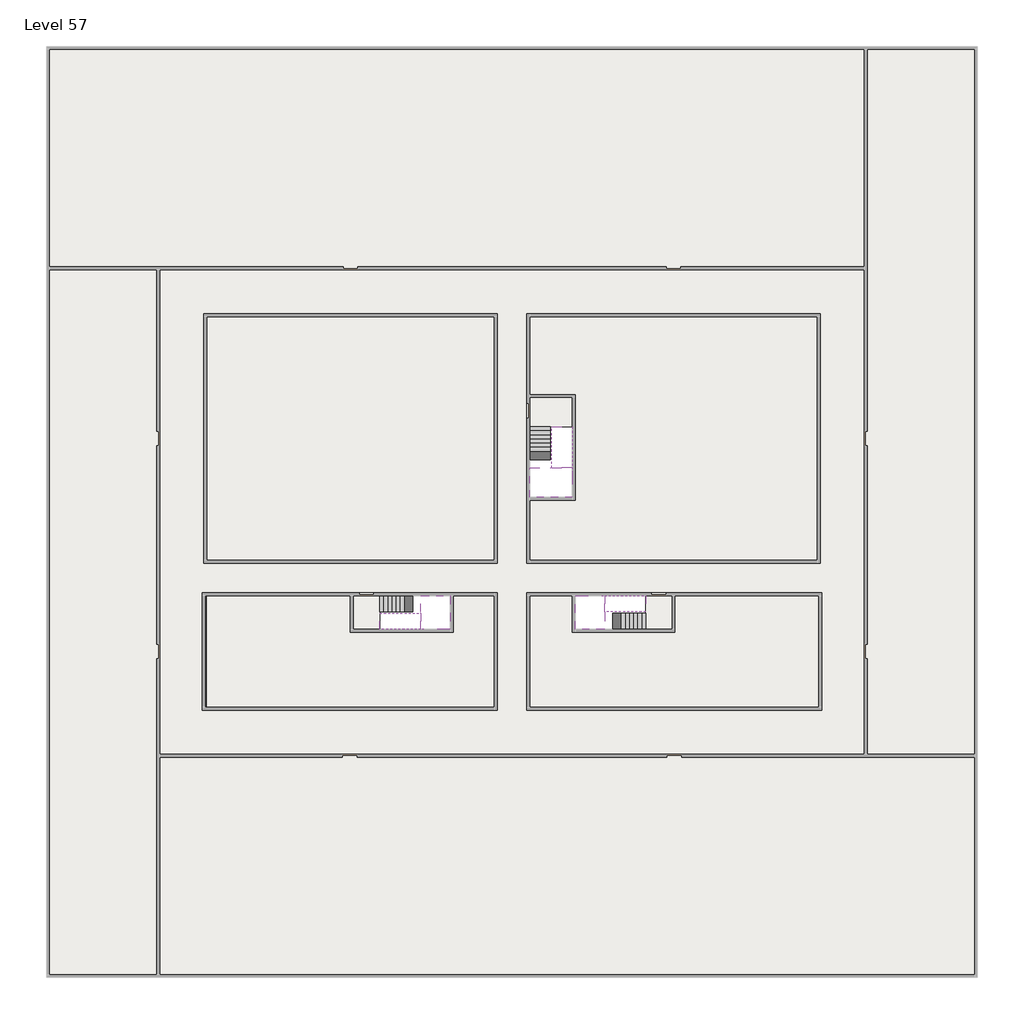
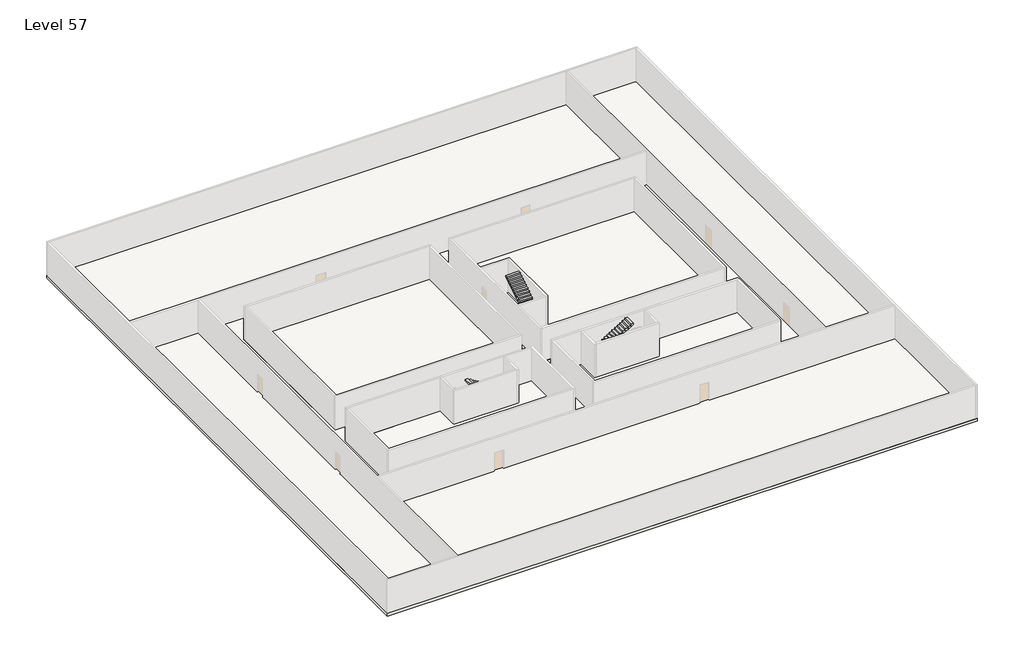
# One storey, part 2 of 2: 6 slabs, 6 stair flights.
"""IFC4 building model written with IfcOpenShell, lengths in millimetres."""

import ifcopenshell
import ifcopenshell.guid

model = None  # the IFC model being written
_history = None  # IfcOwnerHistory: only IFC2X3 demands one
_inside = {}  # id of a spatial element -> (the spatial element, [elements in it])
_under = {}  # id of a project, library or spatial element -> (it, [spatial elements below it])
_declared = {}  # id of a project -> (the project, [libraries it declares])
_typed = {}  # id of a type object -> (the type object, [elements of that type])
_made_of = {}  # id of a material, layer set ... -> (it, [elements and type objects made of it])


def new_model(schema):
    """Start an empty IFC model of exactly this schema.

    Asked for "IFC4X3", IfcOpenShell would pick the latest addendum, in which some entities
    have other attributes; the version numbers below select the first issue.
    IFC2X3 requires an IfcOwnerHistory on every rooted entity: one is made here for all.
    """
    global model, _history
    if schema == "IFC4X3":
        model = ifcopenshell.file(schema_version=(4, 3, 0, 0))
    else:
        model = ifcopenshell.file(schema=schema)
    _inside.clear()
    _under.clear()
    _declared.clear()
    _typed.clear()
    _made_of.clear()
    _history = None
    if model.schema == "IFC2X3":
        org = make("IfcOrganization", Name="unknown")
        user = make(
            "IfcPersonAndOrganization",
            ThePerson=make("IfcPerson", FamilyName="unknown"),
            TheOrganization=org,
        )
        app = make(
            "IfcApplication",
            ApplicationDeveloper=org,
            Version="unknown",
            ApplicationFullName="unknown",
            ApplicationIdentifier="unknown",
        )
        _history = make(
            "IfcOwnerHistory",
            OwningUser=user,
            OwningApplication=app,
            ChangeAction="ADDED",
            CreationDate=0,
        )
    return model


def make(cls, **values):
    """One entity of the class cls with the attributes given. An attribute that is None is left unset."""
    return model.create_entity(
        cls, **{name: value for name, value in values.items() if value is not None}
    )


def rooted(cls, **values):
    """An entity with a GlobalId (a new one), such as an element, a storey or a relation."""
    return make(cls, GlobalId=ifcopenshell.guid.new(), OwnerHistory=_history, **values)


def si_unit(unit_type, name, prefix=None):
    """IfcSIUnit, for example si_unit("LENGTHUNIT", "METRE", prefix="MILLI")."""
    return make("IfcSIUnit", UnitType=unit_type, Prefix=prefix, Name=name)


def assignment(units):
    """IfcUnitAssignment: the units of a project."""
    return None if units is None else make("IfcUnitAssignment", Units=units)


def point(xyz):
    """IfcCartesianPoint."""
    return None if xyz is None else make("IfcCartesianPoint", Coordinates=xyz)


def direction(xyz):
    """IfcDirection."""
    return None if xyz is None else make("IfcDirection", DirectionRatios=xyz)


def frame(location, z_axis=None, x_axis=None):
    """IfcAxis2Placement3D, a coordinate frame: its origin and axes. An axis left out is left unset."""
    return make(
        "IfcAxis2Placement3D",
        Location=point(location),
        Axis=direction(z_axis),
        RefDirection=direction(x_axis),
    )


def origin():
    """The frame at (0, 0, 0) with its axes left unset."""
    return frame((0.0, 0.0, 0.0))


def place(relative_to, where):
    """IfcLocalPlacement: puts the frame where relative to a parent placement (None: the world)."""
    return make(
        "IfcLocalPlacement", PlacementRelTo=relative_to, RelativePlacement=where
    )


def context(
    kind, dimensions, precision=None, world=None, true_north=None, identifier=None
):
    """IfcGeometricRepresentationContext, for example the 3D "Model" context."""
    return make(
        "IfcGeometricRepresentationContext",
        ContextIdentifier=identifier,
        ContextType=kind,
        CoordinateSpaceDimension=dimensions,
        Precision=precision,
        WorldCoordinateSystem=world,
        TrueNorth=true_north,
    )


def project(units=None, contexts=None):
    """IfcProject with its units and contexts."""
    return rooted(
        "IfcProject",
        Name="project",
        RepresentationContexts=contexts,
        UnitsInContext=assignment(units),
    )


def spatial(cls, under=None, at=None, **own):
    """A site, building, storey or space (cls), placed at a placement, below another one or the project."""
    s = rooted(cls, ObjectPlacement=at, **own)
    if under is not None:
        _under.setdefault(under.id(), (under, []))[1].append(s)
    return s


def polyline(points):
    """IfcPolyline through the points."""
    return make("IfcPolyline", Points=[point(p) for p in points])


def outline(outer, holes=None, kind="AREA"):
    """IfcArbitraryClosedProfileDef: a profile drawn as a closed curve; with holes, ...WithVoids."""
    if holes is None:
        return make("IfcArbitraryClosedProfileDef", ProfileType=kind, OuterCurve=outer)
    return make(
        "IfcArbitraryProfileDefWithVoids",
        ProfileType=kind,
        OuterCurve=outer,
        InnerCurves=holes,
    )


def extrude(swept, where, along, depth):
    """IfcExtrudedAreaSolid: the profile swept, set in the frame where, extruded along a direction by depth."""
    return make(
        "IfcExtrudedAreaSolid",
        SweptArea=swept,
        Position=where,
        ExtrudedDirection=direction(along),
        Depth=depth,
    )


def faces_of(points, faces, orient=None, outer=None):
    """IfcFace entities. A face is a list of loops; a loop is a list of indices into points, from 0.

    orient and outer hold one flag for each loop. By default every Orientation is true, the
    first loop of a face is its IfcFaceOuterBound and the others are IfcFaceBound.
    """
    made = []
    for i, loops in enumerate(faces):
        bounds = []
        for j, loop in enumerate(loops):
            is_outer = j == 0 if outer is None else outer[i][j]
            bounds.append(
                make(
                    "IfcFaceOuterBound" if is_outer else "IfcFaceBound",
                    Bound=make("IfcPolyLoop", Polygon=[points[k] for k in loop]),
                    Orientation=True if orient is None else orient[i][j],
                )
            )
        made.append(make("IfcFace", Bounds=bounds))
    return made


def faceted_brep(points, faces, orient=None, outer=None, voids=None):
    """IfcFacetedBrep: a solid bounded by flat faces; with voids (closed shells), ...WithVoids."""
    shared = [point(p) for p in points]
    hull = make("IfcClosedShell", CfsFaces=faces_of(shared, faces, orient, outer))
    if voids is None:
        return make("IfcFacetedBrep", Outer=hull)
    return make(
        "IfcFacetedBrepWithVoids",
        Outer=hull,
        Voids=[
            make(cls, CfsFaces=faces_of(shared, fs, o, b)) for cls, fs, o, b in voids
        ],
    )


def shape(context_of_items, identifier, shape_type, items):
    """IfcShapeRepresentation: the items that make up one representation, for example the "Body"."""
    return make(
        "IfcShapeRepresentation",
        ContextOfItems=context_of_items,
        RepresentationIdentifier=identifier,
        RepresentationType=shape_type,
        Items=items,
    )


def made_of(thing, what):
    """Note that an element or type object is made of a material, layer set ...; save() writes the relation."""
    if what is not None:
        _made_of.setdefault(what.id(), (what, []))[1].append(thing)
    return thing


def element(
    cls,
    number,
    at=None,
    inside=None,
    cuts=None,
    type_object=None,
    material=None,
    context=None,
    identifier="Body",
    shape_type=None,
    held_by="IfcProductDefinitionShape",
    body=None,
    shapes=None,
    **own,
):
    """One element of the class cls, such as IfcWall. Its Tag is "e" and its number.

    at: its placement. inside: the storey or other place that contains it. cuts: it is an
    opening in that element (IfcRelVoidsElement). A single representation is given by context,
    identifier, shape_type and body (its items); several are given by shapes. held_by: the class
    of the entity that holds the representations. save() writes the other relations.
    """
    e = rooted(cls, Tag="e%d" % number, ObjectPlacement=at, **own)
    if body is not None:
        shapes = [shape(context, identifier, shape_type, body)]
    if shapes is not None:
        e.Representation = make(held_by, Representations=shapes)
    if inside is not None:
        _inside.setdefault(inside.id(), (inside, []))[1].append(e)
    if cuts is not None:
        rooted(
            "IfcRelVoidsElement", RelatingBuildingElement=cuts, RelatedOpeningElement=e
        )
    if type_object is not None:
        _typed.setdefault(type_object.id(), (type_object, []))[1].append(e)
    return made_of(e, material)


def aggregate(whole, parts):
    """IfcRelAggregates: a whole, such as a stair, and the parts it consists of."""
    return rooted("IfcRelAggregates", RelatingObject=whole, RelatedObjects=parts)


def save(model, path):
    """Write the relations noted so far, then the file.

    IfcRelAggregates (storeys below a building ...), IfcRelContainedInSpatialStructure (elements
    in a storey), IfcRelDefinesByType, IfcRelAssociatesMaterial and IfcRelDeclares: one each for
    every whole, place, type object, material and project.
    """
    for whole, parts in _under.values():
        aggregate(whole, parts)
    for where, things in _inside.values():
        rooted(
            "IfcRelContainedInSpatialStructure",
            RelatedElements=things,
            RelatingStructure=where,
        )
    for kind, things in _typed.values():
        rooted("IfcRelDefinesByType", RelatedObjects=things, RelatingType=kind)
    for what, things in _made_of.values():
        rooted("IfcRelAssociatesMaterial", RelatedObjects=things, RelatingMaterial=what)
    for by, libraries in _declared.values():
        rooted("IfcRelDeclares", RelatingContext=by, RelatedDefinitions=libraries)
    model.write(path)


model = new_model("IFC4")

# Units and contexts
model_context = context("Model", 3, world=origin())
ifc_project = project(units=[si_unit("LENGTHUNIT", "METRE", prefix="MILLI")], contexts=[model_context])

# Site, building, storey
site = spatial("IfcSite", under=ifc_project)
building = spatial("IfcBuilding", under=site)
storey = spatial("IfcBuildingStorey", under=building, Name="Level 57", Elevation=212800.0)

# Slabs
placement = place(None, origin())
element("IfcSlab", 1, at=placement, inside=storey, context=model_context, shape_type="SweptSolid", body=[
    extrude(outline(polyline([(55890.1058784, -5518.09644), (55890.1058784, -68918.09644), (-7509.8941216, -68918.09644), (-7509.8941216, -5518.09644), (55890.1058784, -5518.09644)]), holes=[polyline([(23190.1058784, -23718.09644), (3190.1058784, -23718.09644), (3190.1058784, -40718.09644), (23190.1058784, -40718.09644), (23190.1058784, -23718.09644)]), polyline([(45190.1058784, -23718.09644), (25190.1058784, -23718.09644), (25190.1058784, -40718.09644), (45190.1058784, -40718.09644), (45190.1058784, -23718.09644)]), polyline([(23190.1058784, -50718.09644), (23190.1058784, -42718.09644), (3390.1058784, -42718.09644), (3390.1058784, -50718.09644), (23190.1058784, -50718.09644)]), polyline([(25190.1058784, -50718.09644), (45190.1058784, -50718.09644), (45190.1058784, -42718.09644), (25190.1058784, -42718.09644), (25190.1058784, -50718.09644)])]), frame((0.0, 0.0, 212500.0), z_axis=(0.0, 0.0, 1.0), x_axis=(1.0, 0.0, 0.0)), (0.0, 0.0, 1.0), 300.0),
])
element("IfcSlab", 2, at=placement, inside=storey, context=model_context, shape_type="Brep", body=[
    faceted_brep([(26790.1058784, -34218.09644, 214700.0), (25390.1058784, -34218.09644, 214700.0), (25390.1058784, -34297.4828763, 214700.0), (25390.1058784, -36218.09644, 214700.0), (28290.1058784, -36218.09644, 214700.0), (28290.1058784, -34418.7100038, 214700.0), (28290.1058784, -34218.09644, 214700.0), (26890.1058784, -34218.09644, 214700.0), (26790.1058784, -34218.09644, 214400.0), (26790.1058784, -34218.09644, 214351.0278478), (25390.1058784, -34218.09644, 214351.0278478), (25390.1058784, -34218.09644, 214527.2727273), (25390.1058784, -34297.4828763, 214400.0), (25390.1058784, -36218.09644, 214400.0), (28290.1058784, -36218.09644, 214400.0), (28290.1058784, -34418.7100038, 214400.0), (28290.1058784, -34218.09644, 214523.7551205), (26890.1058784, -34218.09644, 214523.7551205), (26890.1058784, -34218.09644, 214400.0), (26890.1058784, -34418.7100038, 214400.0), (26790.1058784, -34297.4828763, 214400.0)], [[[0, 1, 2, 3, 4, 5, 6, 7]], [[1, 0, 8, 9, 10, 11]], [[1, 11, 10, 12, 13, 3, 2]], [[4, 3, 13, 14]], [[4, 14, 15, 16, 6, 5]], [[7, 6, 16, 17]], [[0, 7, 17, 18, 8]], [[18, 19, 15, 14, 13, 12, 20, 8]], [[19, 18, 17]], [[20, 12, 10, 9]], [[8, 20, 9]], [[15, 19, 17, 16]]]),
])
element("IfcSlab", 3, at=placement, inside=storey, context=model_context, shape_type="SweptSolid", body=[
    extrude(outline(polyline([(22990.1058784, -23918.09644), (22990.1058784, -40518.09644), (3390.1058784, -40518.09644), (3390.1058784, -23918.09644), (22990.1058784, -23918.09644)])), frame((0.0, 0.0, 212500.0), z_axis=(0.0, 0.0, 1.0), x_axis=(1.0, 0.0, 0.0)), (0.0, 0.0, 1.0), 300.0),
    extrude(outline(polyline([(44990.1058784, -23918.09644), (44990.1058784, -40518.09644), (25390.1058784, -40518.09644), (25390.1058784, -36418.09644), (28490.1058784, -36418.09644), (28490.1058784, -29218.09644), (25390.1058784, -29218.09644), (25390.1058784, -23918.09644), (44990.1058784, -23918.09644)])), frame((0.0, 0.0, 212500.0), z_axis=(0.0, 0.0, 1.0), x_axis=(1.0, 0.0, 0.0)), (0.0, 0.0, 1.0), 300.0),
    extrude(outline(polyline([(22990.1058784, -42918.09644), (22990.1058784, -50518.09644), (3390.1058784, -50518.09644), (3390.1058784, -42918.09644), (13190.1058784, -42918.09644), (13190.1058784, -45418.09644), (20190.1058784, -45418.09644), (20190.1058784, -42918.09644), (22990.1058784, -42918.09644)])), frame((0.0, 0.0, 212500.0), z_axis=(0.0, 0.0, 1.0), x_axis=(1.0, 0.0, 0.0)), (0.0, 0.0, 1.0), 300.0),
    extrude(outline(polyline([(28290.1058784, -42918.09644), (28290.1058784, -45418.09644), (35290.1058784, -45418.09644), (35290.1058784, -42918.09644), (45090.1058784, -42918.09644), (45090.1058784, -50518.09644), (25390.1058784, -50518.09644), (25390.1058784, -42918.09644), (28290.1058784, -42918.09644)])), frame((0.0, 0.0, 212500.0), z_axis=(0.0, 0.0, 1.0), x_axis=(1.0, 0.0, 0.0)), (0.0, 0.0, 1.0), 300.0),
])
element("IfcSlab", 4, at=placement, inside=storey, context=model_context, shape_type="Brep", body=[
    faceted_brep([(30490.1058784, -45218.09644, 214700.0), (30490.1058784, -44118.09644, 214700.0), (30490.1058784, -44018.09644, 214700.0), (30490.1058784, -42918.09644, 214700.0), (30289.4923146, -42918.09644, 214700.0), (28490.1058784, -42918.09644, 214700.0), (28490.1058784, -45218.09644, 214700.0), (30410.7194421, -45218.09644, 214700.0), (30490.1058784, -45218.09644, 214527.2727273), (30490.1058784, -45218.09644, 214351.0278478), (30490.1058784, -44118.09644, 214351.0278478), (30490.1058784, -44118.09644, 214400.0), (30490.1058784, -44018.09644, 214400.0), (30490.1058784, -44018.09644, 214523.7551205), (30490.1058784, -42918.09644, 214523.7551205), (30289.4923146, -42918.09644, 214400.0), (28490.1058784, -42918.09644, 214400.0), (28490.1058784, -45218.09644, 214400.0), (30410.7194421, -45218.09644, 214400.0), (30289.4923146, -44018.09644, 214400.0), (30410.7194421, -44118.09644, 214400.0)], [[[0, 1, 2, 3, 4, 5, 6, 7]], [[1, 0, 8, 9, 10, 11]], [[2, 1, 11, 12, 13]], [[3, 2, 13, 14]], [[3, 14, 15, 16, 5, 4]], [[6, 5, 16, 17]], [[9, 8, 0, 7, 6, 17, 18]], [[19, 12, 11, 20, 18, 17, 16, 15]], [[12, 19, 13]], [[18, 20, 10, 9]], [[20, 11, 10]], [[19, 15, 14, 13]]]),
])
element("IfcSlab", 5, at=placement, inside=storey, context=model_context, shape_type="Brep", body=[
    faceted_brep([(17990.1058784, -42918.09644, 214700.0), (17990.1058784, -44018.09644, 214700.0), (17990.1058784, -44118.09644, 214700.0), (17990.1058784, -45218.09644, 214700.0), (18190.7194421, -45218.09644, 214700.0), (19990.1058784, -45218.09644, 214700.0), (19990.1058784, -42918.09644, 214700.0), (18069.4923146, -42918.09644, 214700.0), (17990.1058784, -42918.09644, 214527.2727273), (17990.1058784, -42918.09644, 214351.0278478), (17990.1058784, -44018.09644, 214351.0278478), (17990.1058784, -44018.09644, 214400.0), (17990.1058784, -44118.09644, 214400.0), (17990.1058784, -44118.09644, 214523.7551205), (17990.1058784, -45218.09644, 214523.7551205), (18190.7194421, -45218.09644, 214400.0), (19990.1058784, -45218.09644, 214400.0), (19990.1058784, -42918.09644, 214400.0), (18069.4923146, -42918.09644, 214400.0), (18190.7194421, -44118.09644, 214400.0), (18069.4923146, -44018.09644, 214400.0)], [[[0, 1, 2, 3, 4, 5, 6, 7]], [[1, 0, 8, 9, 10, 11]], [[2, 1, 11, 12, 13]], [[3, 2, 13, 14]], [[3, 14, 15, 16, 5, 4]], [[6, 5, 16, 17]], [[9, 8, 0, 7, 6, 17, 18]], [[19, 12, 11, 20, 18, 17, 16, 15]], [[12, 19, 13]], [[18, 20, 10, 9]], [[20, 11, 10]], [[19, 15, 14, 13]]]),
])
element("IfcSlab", 6, at=placement, inside=storey, context=model_context, shape_type="SweptSolid", body=[
    extrude(outline(polyline([(25190.1058784, -29418.09644), (28290.1058784, -29418.09644), (28290.1058784, -31418.09644), (25190.1058784, -31418.09644), (25190.1058784, -29418.09644)])), frame((0.0, 0.0, 212500.0), z_axis=(0.0, 0.0, 1.0), x_axis=(1.0, 0.0, 0.0)), (0.0, 0.0, 1.0), 300.0),
    extrude(outline(polyline([(15190.1058784, -45218.09644), (13390.1058784, -45218.09644), (13390.1058784, -42718.09644), (15190.1058784, -42718.09644), (15190.1058784, -45218.09644)])), frame((0.0, 0.0, 212500.0), z_axis=(0.0, 0.0, 1.0), x_axis=(1.0, 0.0, 0.0)), (0.0, 0.0, 1.0), 300.0),
    extrude(outline(polyline([(35090.1058784, -45218.09644), (33290.1058784, -45218.09644), (33290.1058784, -42718.09644), (35090.1058784, -42718.09644), (35090.1058784, -45218.09644)])), frame((0.0, 0.0, 212500.0), z_axis=(0.0, 0.0, 1.0), x_axis=(1.0, 0.0, 0.0)), (0.0, 0.0, 1.0), 300.0),
])

# Stair flights
element("IfcStairFlight", 7, at=placement, inside=storey, context=model_context, shape_type="Brep", body=[
    faceted_brep([(26790.1058784, -31698.09644, 212972.7272727), (26790.1058784, -31418.09644, 212972.7272727), (25390.1058784, -31418.09644, 212972.7272727), (25390.1058784, -31698.09644, 212972.7272727), (26790.1058784, -31698.09644, 212800.0), (26790.1058784, -31418.09644, 212800.0), (25390.1058784, -31418.09644, 212800.0), (25390.1058784, -31698.09644, 212800.0), (26790.1058784, -31978.09644, 213145.4545455), (26790.1058784, -31698.09644, 213145.4545455), (25390.1058784, -31698.09644, 213145.4545455), (25390.1058784, -31978.09644, 213145.4545455), (26790.1058784, -31978.09644, 212969.209666), (26790.1058784, -31703.7986657, 212800.0), (25390.1058784, -31703.7986657, 212800.0), (25390.1058784, -31978.09644, 212969.209666), (26790.1058784, -32258.09644, 213318.1818182), (26790.1058784, -31978.09644, 213318.1818182), (25390.1058784, -31978.09644, 213318.1818182), (25390.1058784, -32258.09644, 213318.1818182), (26790.1058784, -32258.09644, 213141.9369387), (25390.1058784, -32258.09644, 213141.9369387), (26790.1058784, -32538.09644, 213490.9090909), (26790.1058784, -32258.09644, 213490.9090909), (25390.1058784, -32258.09644, 213490.9090909), (25390.1058784, -32538.09644, 213490.9090909), (26790.1058784, -32538.09644, 213314.6642114), (25390.1058784, -32538.09644, 213314.6642114), (26790.1058784, -32818.09644, 213663.6363636), (26790.1058784, -32538.09644, 213663.6363636), (25390.1058784, -32538.09644, 213663.6363636), (25390.1058784, -32818.09644, 213663.6363636), (26790.1058784, -32818.09644, 213487.3914841), (25390.1058784, -32818.09644, 213487.3914841), (26790.1058784, -33098.09644, 213836.3636364), (26790.1058784, -32818.09644, 213836.3636364), (25390.1058784, -32818.09644, 213836.3636364), (25390.1058784, -33098.09644, 213836.3636364), (26790.1058784, -33098.09644, 213660.1187569), (25390.1058784, -33098.09644, 213660.1187569), (26790.1058784, -33378.09644, 214009.0909091), (26790.1058784, -33098.09644, 214009.0909091), (25390.1058784, -33098.09644, 214009.0909091), (25390.1058784, -33378.09644, 214009.0909091), (26790.1058784, -33378.09644, 213832.8460296), (25390.1058784, -33378.09644, 213832.8460296), (26790.1058784, -33658.09644, 214181.8181818), (26790.1058784, -33378.09644, 214181.8181818), (25390.1058784, -33378.09644, 214181.8181818), (25390.1058784, -33658.09644, 214181.8181818), (26790.1058784, -33658.09644, 214005.5733023), (25390.1058784, -33658.09644, 214005.5733023), (26790.1058784, -33938.09644, 214354.5454545), (26790.1058784, -33658.09644, 214354.5454545), (25390.1058784, -33658.09644, 214354.5454545), (25390.1058784, -33938.09644, 214354.5454545), (26790.1058784, -33938.09644, 214178.3005751), (25390.1058784, -33938.09644, 214178.3005751), (26790.1058784, -34218.09644, 214527.2727273), (26790.1058784, -33938.09644, 214527.2727273), (25390.1058784, -33938.09644, 214527.2727273), (25390.1058784, -34218.09644, 214527.2727273), (26790.1058784, -34218.09644, 214400.0), (26790.1058784, -34218.09644, 214351.0278478), (25390.1058784, -34218.09644, 214351.0278478)], [[[0, 1, 2, 3]], [[1, 0, 4, 5]], [[2, 1, 5, 6]], [[3, 2, 6, 7]], [[8, 9, 10, 11]], [[4, 0, 9, 8, 12, 13]], [[0, 3, 10, 9]], [[3, 7, 14, 15, 11, 10]], [[16, 17, 18, 19]], [[17, 16, 20, 12, 8]], [[8, 11, 18, 17]], [[19, 18, 11, 15, 21]], [[22, 23, 24, 25]], [[23, 22, 26, 20, 16]], [[16, 19, 24, 23]], [[25, 24, 19, 21, 27]], [[28, 29, 30, 31]], [[29, 28, 32, 26, 22]], [[22, 25, 30, 29]], [[31, 30, 25, 27, 33]], [[34, 35, 36, 37]], [[35, 34, 38, 32, 28]], [[28, 31, 36, 35]], [[37, 36, 31, 33, 39]], [[40, 41, 42, 43]], [[41, 40, 44, 38, 34]], [[34, 37, 42, 41]], [[43, 42, 37, 39, 45]], [[46, 47, 48, 49]], [[47, 46, 50, 44, 40]], [[40, 43, 48, 47]], [[49, 48, 43, 45, 51]], [[52, 53, 54, 55]], [[53, 52, 56, 50, 46]], [[46, 49, 54, 53]], [[55, 54, 49, 51, 57]], [[58, 59, 60, 61]], [[59, 58, 62, 63, 56, 52]], [[52, 55, 60, 59]], [[61, 60, 55, 57, 64]], [[58, 61, 64, 63, 62]], [[5, 4, 13, 14, 7, 6]], [[14, 13, 12, 20, 26, 32, 38, 44, 50, 56, 63, 64, 57, 51, 45, 39, 33, 27, 21, 15]]]),
])
element("IfcStairFlight", 8, at=placement, inside=storey, context=model_context, shape_type="Brep", body=[
    faceted_brep([(26890.1058784, -33938.09644, 214872.7272727), (26890.1058784, -34218.09644, 214872.7272727), (28290.1058784, -34218.09644, 214872.7272727), (28290.1058784, -33938.09644, 214872.7272727), (26890.1058784, -33938.09644, 214696.4823932), (26890.1058784, -34218.09644, 214523.7551205), (28290.1058784, -34218.09644, 214523.7551205), (28290.1058784, -34218.09644, 214700.0), (28290.1058784, -33938.09644, 214696.4823932), (26890.1058784, -33658.09644, 215045.4545455), (26890.1058784, -33938.09644, 215045.4545455), (28290.1058784, -33938.09644, 215045.4545455), (28290.1058784, -33658.09644, 215045.4545455), (26890.1058784, -33658.09644, 214869.209666), (28290.1058784, -33658.09644, 214869.209666), (26890.1058784, -33378.09644, 215218.1818182), (26890.1058784, -33658.09644, 215218.1818182), (28290.1058784, -33658.09644, 215218.1818182), (28290.1058784, -33378.09644, 215218.1818182), (26890.1058784, -33378.09644, 215041.9369387), (28290.1058784, -33378.09644, 215041.9369387), (26890.1058784, -33098.09644, 215390.9090909), (26890.1058784, -33378.09644, 215390.9090909), (28290.1058784, -33378.09644, 215390.9090909), (28290.1058784, -33098.09644, 215390.9090909), (26890.1058784, -33098.09644, 215214.6642114), (28290.1058784, -33098.09644, 215214.6642114), (26890.1058784, -32818.09644, 215563.6363636), (26890.1058784, -33098.09644, 215563.6363636), (28290.1058784, -33098.09644, 215563.6363636), (28290.1058784, -32818.09644, 215563.6363636), (26890.1058784, -32818.09644, 215387.3914841), (28290.1058784, -32818.09644, 215387.3914841), (26890.1058784, -32538.09644, 215736.3636364), (26890.1058784, -32818.09644, 215736.3636364), (28290.1058784, -32818.09644, 215736.3636364), (28290.1058784, -32538.09644, 215736.3636364), (26890.1058784, -32538.09644, 215560.1187569), (28290.1058784, -32538.09644, 215560.1187569), (26890.1058784, -32258.09644, 215909.0909091), (26890.1058784, -32538.09644, 215909.0909091), (28290.1058784, -32538.09644, 215909.0909091), (28290.1058784, -32258.09644, 215909.0909091), (26890.1058784, -32258.09644, 215732.8460296), (28290.1058784, -32258.09644, 215732.8460296), (26890.1058784, -31978.09644, 216081.8181818), (26890.1058784, -32258.09644, 216081.8181818), (28290.1058784, -32258.09644, 216081.8181818), (28290.1058784, -31978.09644, 216081.8181818), (26890.1058784, -31978.09644, 215905.5733023), (28290.1058784, -31978.09644, 215905.5733023), (26890.1058784, -31698.09644, 216254.5454545), (26890.1058784, -31978.09644, 216254.5454545), (28290.1058784, -31978.09644, 216254.5454545), (28290.1058784, -31698.09644, 216254.5454545), (26890.1058784, -31698.09644, 216078.3005751), (28290.1058784, -31698.09644, 216078.3005751), (26890.1058784, -31418.09644, 216427.2727273), (26890.1058784, -31698.09644, 216427.2727273), (28290.1058784, -31698.09644, 216427.2727273), (28290.1058784, -31418.09644, 216427.2727273), (26890.1058784, -31418.09644, 216251.0278478), (28290.1058784, -31418.09644, 216251.0278478)], [[[0, 1, 2, 3]], [[1, 0, 4, 5]], [[2, 1, 5, 6, 7]], [[3, 2, 7, 6, 8]], [[9, 10, 11, 12]], [[10, 9, 13, 4, 0]], [[11, 10, 0, 3]], [[12, 11, 3, 8, 14]], [[15, 16, 17, 18]], [[16, 15, 19, 13, 9]], [[17, 16, 9, 12]], [[18, 17, 12, 14, 20]], [[21, 22, 23, 24]], [[22, 21, 25, 19, 15]], [[23, 22, 15, 18]], [[24, 23, 18, 20, 26]], [[27, 28, 29, 30]], [[28, 27, 31, 25, 21]], [[29, 28, 21, 24]], [[30, 29, 24, 26, 32]], [[33, 34, 35, 36]], [[34, 33, 37, 31, 27]], [[35, 34, 27, 30]], [[36, 35, 30, 32, 38]], [[39, 40, 41, 42]], [[40, 39, 43, 37, 33]], [[41, 40, 33, 36]], [[42, 41, 36, 38, 44]], [[45, 46, 47, 48]], [[46, 45, 49, 43, 39]], [[47, 46, 39, 42]], [[48, 47, 42, 44, 50]], [[51, 52, 53, 54]], [[52, 51, 55, 49, 45]], [[53, 52, 45, 48]], [[54, 53, 48, 50, 56]], [[57, 58, 59, 60]], [[58, 57, 61, 55, 51]], [[59, 58, 51, 54]], [[60, 59, 54, 56, 62]], [[57, 60, 62, 61]], [[5, 4, 13, 19, 25, 31, 37, 43, 49, 55, 61, 62, 56, 50, 44, 38, 32, 26, 20, 14, 8, 6]]]),
])
element("IfcStairFlight", 9, at=placement, inside=storey, context=model_context, shape_type="Brep", body=[
    faceted_brep([(33010.1058784, -45218.09644, 212972.7272727), (33290.1058784, -45218.09644, 212972.7272727), (33290.1058784, -44118.09644, 212972.7272727), (33010.1058784, -44118.09644, 212972.7272727), (33010.1058784, -45218.09644, 212800.0), (33290.1058784, -45218.09644, 212800.0), (33290.1058784, -44118.09644, 212800.0), (33010.1058784, -44118.09644, 212800.0), (32730.1058784, -45218.09644, 213145.4545455), (33010.1058784, -45218.09644, 213145.4545455), (33010.1058784, -44118.09644, 213145.4545455), (32730.1058784, -44118.09644, 213145.4545455), (32730.1058784, -45218.09644, 212969.209666), (33004.4036527, -45218.09644, 212800.0), (33004.4036527, -44118.09644, 212800.0), (32730.1058784, -44118.09644, 212969.209666), (32450.1058784, -45218.09644, 213318.1818182), (32730.1058784, -45218.09644, 213318.1818182), (32730.1058784, -44118.09644, 213318.1818182), (32450.1058784, -44118.09644, 213318.1818182), (32450.1058784, -45218.09644, 213141.9369387), (32450.1058784, -44118.09644, 213141.9369387), (32170.1058784, -45218.09644, 213490.9090909), (32450.1058784, -45218.09644, 213490.9090909), (32450.1058784, -44118.09644, 213490.9090909), (32170.1058784, -44118.09644, 213490.9090909), (32170.1058784, -45218.09644, 213314.6642114), (32170.1058784, -44118.09644, 213314.6642114), (31890.1058784, -45218.09644, 213663.6363636), (32170.1058784, -45218.09644, 213663.6363636), (32170.1058784, -44118.09644, 213663.6363636), (31890.1058784, -44118.09644, 213663.6363636), (31890.1058784, -45218.09644, 213487.3914841), (31890.1058784, -44118.09644, 213487.3914841), (31610.1058784, -45218.09644, 213836.3636364), (31890.1058784, -45218.09644, 213836.3636364), (31890.1058784, -44118.09644, 213836.3636364), (31610.1058784, -44118.09644, 213836.3636364), (31610.1058784, -45218.09644, 213660.1187569), (31610.1058784, -44118.09644, 213660.1187569), (31330.1058784, -45218.09644, 214009.0909091), (31610.1058784, -45218.09644, 214009.0909091), (31610.1058784, -44118.09644, 214009.0909091), (31330.1058784, -44118.09644, 214009.0909091), (31330.1058784, -45218.09644, 213832.8460296), (31330.1058784, -44118.09644, 213832.8460296), (31050.1058784, -45218.09644, 214181.8181818), (31330.1058784, -45218.09644, 214181.8181818), (31330.1058784, -44118.09644, 214181.8181818), (31050.1058784, -44118.09644, 214181.8181818), (31050.1058784, -45218.09644, 214005.5733023), (31050.1058784, -44118.09644, 214005.5733023), (30770.1058784, -45218.09644, 214354.5454545), (31050.1058784, -45218.09644, 214354.5454545), (31050.1058784, -44118.09644, 214354.5454545), (30770.1058784, -44118.09644, 214354.5454545), (30770.1058784, -45218.09644, 214178.3005751), (30770.1058784, -44118.09644, 214178.3005751), (30490.1058784, -45218.09644, 214527.2727273), (30770.1058784, -45218.09644, 214527.2727273), (30770.1058784, -44118.09644, 214527.2727273), (30490.1058784, -44118.09644, 214527.2727273), (30490.1058784, -45218.09644, 214351.0278478), (30490.1058784, -44118.09644, 214351.0278478), (30490.1058784, -44118.09644, 214400.0)], [[[0, 1, 2, 3]], [[1, 0, 4, 5]], [[2, 1, 5, 6]], [[3, 2, 6, 7]], [[8, 9, 10, 11]], [[4, 0, 9, 8, 12, 13]], [[0, 3, 10, 9]], [[3, 7, 14, 15, 11, 10]], [[16, 17, 18, 19]], [[17, 16, 20, 12, 8]], [[8, 11, 18, 17]], [[19, 18, 11, 15, 21]], [[22, 23, 24, 25]], [[23, 22, 26, 20, 16]], [[16, 19, 24, 23]], [[25, 24, 19, 21, 27]], [[28, 29, 30, 31]], [[29, 28, 32, 26, 22]], [[22, 25, 30, 29]], [[31, 30, 25, 27, 33]], [[34, 35, 36, 37]], [[35, 34, 38, 32, 28]], [[28, 31, 36, 35]], [[37, 36, 31, 33, 39]], [[40, 41, 42, 43]], [[41, 40, 44, 38, 34]], [[34, 37, 42, 41]], [[43, 42, 37, 39, 45]], [[46, 47, 48, 49]], [[47, 46, 50, 44, 40]], [[40, 43, 48, 47]], [[49, 48, 43, 45, 51]], [[52, 53, 54, 55]], [[53, 52, 56, 50, 46]], [[46, 49, 54, 53]], [[55, 54, 49, 51, 57]], [[58, 59, 60, 61]], [[59, 58, 62, 56, 52]], [[52, 55, 60, 59]], [[61, 60, 55, 57, 63, 64]], [[58, 61, 64, 63, 62]], [[5, 4, 13, 14, 7, 6]], [[14, 13, 12, 20, 26, 32, 38, 44, 50, 56, 62, 63, 57, 51, 45, 39, 33, 27, 21, 15]]]),
])
element("IfcStairFlight", 10, at=placement, inside=storey, context=model_context, shape_type="Brep", body=[
    faceted_brep([(30770.1058784, -42918.09644, 214872.7272727), (30490.1058784, -42918.09644, 214872.7272727), (30490.1058784, -44018.09644, 214872.7272727), (30770.1058784, -44018.09644, 214872.7272727), (30770.1058784, -42918.09644, 214696.4823932), (30490.1058784, -42918.09644, 214523.7551205), (30490.1058784, -42918.09644, 214700.0), (30490.1058784, -44018.09644, 214523.7551205), (30770.1058784, -44018.09644, 214696.4823932), (31050.1058784, -42918.09644, 215045.4545455), (30770.1058784, -42918.09644, 215045.4545455), (30770.1058784, -44018.09644, 215045.4545455), (31050.1058784, -44018.09644, 215045.4545455), (31050.1058784, -42918.09644, 214869.209666), (31050.1058784, -44018.09644, 214869.209666), (31330.1058784, -42918.09644, 215218.1818182), (31050.1058784, -42918.09644, 215218.1818182), (31050.1058784, -44018.09644, 215218.1818182), (31330.1058784, -44018.09644, 215218.1818182), (31330.1058784, -42918.09644, 215041.9369387), (31330.1058784, -44018.09644, 215041.9369387), (31610.1058784, -42918.09644, 215390.9090909), (31330.1058784, -42918.09644, 215390.9090909), (31330.1058784, -44018.09644, 215390.9090909), (31610.1058784, -44018.09644, 215390.9090909), (31610.1058784, -42918.09644, 215214.6642114), (31610.1058784, -44018.09644, 215214.6642114), (31890.1058784, -42918.09644, 215563.6363636), (31610.1058784, -42918.09644, 215563.6363636), (31610.1058784, -44018.09644, 215563.6363636), (31890.1058784, -44018.09644, 215563.6363636), (31890.1058784, -42918.09644, 215387.3914841), (31890.1058784, -44018.09644, 215387.3914841), (32170.1058784, -42918.09644, 215736.3636364), (31890.1058784, -42918.09644, 215736.3636364), (31890.1058784, -44018.09644, 215736.3636364), (32170.1058784, -44018.09644, 215736.3636364), (32170.1058784, -42918.09644, 215560.1187569), (32170.1058784, -44018.09644, 215560.1187569), (32450.1058784, -42918.09644, 215909.0909091), (32170.1058784, -42918.09644, 215909.0909091), (32170.1058784, -44018.09644, 215909.0909091), (32450.1058784, -44018.09644, 215909.0909091), (32450.1058784, -42918.09644, 215732.8460296), (32450.1058784, -44018.09644, 215732.8460296), (32730.1058784, -42918.09644, 216081.8181818), (32450.1058784, -42918.09644, 216081.8181818), (32450.1058784, -44018.09644, 216081.8181818), (32730.1058784, -44018.09644, 216081.8181818), (32730.1058784, -42918.09644, 215905.5733023), (32730.1058784, -44018.09644, 215905.5733023), (33010.1058784, -42918.09644, 216254.5454545), (32730.1058784, -42918.09644, 216254.5454545), (32730.1058784, -44018.09644, 216254.5454545), (33010.1058784, -44018.09644, 216254.5454545), (33010.1058784, -42918.09644, 216078.3005751), (33010.1058784, -44018.09644, 216078.3005751), (33290.1058784, -42918.09644, 216427.2727273), (33010.1058784, -42918.09644, 216427.2727273), (33010.1058784, -44018.09644, 216427.2727273), (33290.1058784, -44018.09644, 216427.2727273), (33290.1058784, -42918.09644, 216251.0278478), (33290.1058784, -44018.09644, 216251.0278478)], [[[0, 1, 2, 3]], [[1, 0, 4, 5, 6]], [[2, 1, 6, 5, 7]], [[3, 2, 7, 8]], [[9, 10, 11, 12]], [[10, 9, 13, 4, 0]], [[11, 10, 0, 3]], [[12, 11, 3, 8, 14]], [[15, 16, 17, 18]], [[16, 15, 19, 13, 9]], [[17, 16, 9, 12]], [[18, 17, 12, 14, 20]], [[21, 22, 23, 24]], [[22, 21, 25, 19, 15]], [[23, 22, 15, 18]], [[24, 23, 18, 20, 26]], [[27, 28, 29, 30]], [[28, 27, 31, 25, 21]], [[29, 28, 21, 24]], [[30, 29, 24, 26, 32]], [[33, 34, 35, 36]], [[34, 33, 37, 31, 27]], [[35, 34, 27, 30]], [[36, 35, 30, 32, 38]], [[39, 40, 41, 42]], [[40, 39, 43, 37, 33]], [[41, 40, 33, 36]], [[42, 41, 36, 38, 44]], [[45, 46, 47, 48]], [[46, 45, 49, 43, 39]], [[47, 46, 39, 42]], [[48, 47, 42, 44, 50]], [[51, 52, 53, 54]], [[52, 51, 55, 49, 45]], [[53, 52, 45, 48]], [[54, 53, 48, 50, 56]], [[57, 58, 59, 60]], [[58, 57, 61, 55, 51]], [[59, 58, 51, 54]], [[60, 59, 54, 56, 62]], [[57, 60, 62, 61]], [[5, 4, 13, 19, 25, 31, 37, 43, 49, 55, 61, 62, 56, 50, 44, 38, 32, 26, 20, 14, 8, 7]]]),
])
element("IfcStairFlight", 11, at=placement, inside=storey, context=model_context, shape_type="Brep", body=[
    faceted_brep([(15470.1058784, -42918.09644, 212972.7272727), (15190.1058784, -42918.09644, 212972.7272727), (15190.1058784, -44018.09644, 212972.7272727), (15470.1058784, -44018.09644, 212972.7272727), (15470.1058784, -42918.09644, 212800.0), (15190.1058784, -42918.09644, 212800.0), (15190.1058784, -44018.09644, 212800.0), (15470.1058784, -44018.09644, 212800.0), (15750.1058784, -42918.09644, 213145.4545455), (15470.1058784, -42918.09644, 213145.4545455), (15470.1058784, -44018.09644, 213145.4545455), (15750.1058784, -44018.09644, 213145.4545455), (15750.1058784, -42918.09644, 212969.209666), (15475.8081041, -42918.09644, 212800.0), (15475.8081041, -44018.09644, 212800.0), (15750.1058784, -44018.09644, 212969.209666), (16030.1058784, -42918.09644, 213318.1818182), (15750.1058784, -42918.09644, 213318.1818182), (15750.1058784, -44018.09644, 213318.1818182), (16030.1058784, -44018.09644, 213318.1818182), (16030.1058784, -42918.09644, 213141.9369387), (16030.1058784, -44018.09644, 213141.9369387), (16310.1058784, -42918.09644, 213490.9090909), (16030.1058784, -42918.09644, 213490.9090909), (16030.1058784, -44018.09644, 213490.9090909), (16310.1058784, -44018.09644, 213490.9090909), (16310.1058784, -42918.09644, 213314.6642114), (16310.1058784, -44018.09644, 213314.6642114), (16590.1058784, -42918.09644, 213663.6363636), (16310.1058784, -42918.09644, 213663.6363636), (16310.1058784, -44018.09644, 213663.6363636), (16590.1058784, -44018.09644, 213663.6363636), (16590.1058784, -42918.09644, 213487.3914841), (16590.1058784, -44018.09644, 213487.3914841), (16870.1058784, -42918.09644, 213836.3636364), (16590.1058784, -42918.09644, 213836.3636364), (16590.1058784, -44018.09644, 213836.3636364), (16870.1058784, -44018.09644, 213836.3636364), (16870.1058784, -42918.09644, 213660.1187569), (16870.1058784, -44018.09644, 213660.1187569), (17150.1058784, -42918.09644, 214009.0909091), (16870.1058784, -42918.09644, 214009.0909091), (16870.1058784, -44018.09644, 214009.0909091), (17150.1058784, -44018.09644, 214009.0909091), (17150.1058784, -42918.09644, 213832.8460296), (17150.1058784, -44018.09644, 213832.8460296), (17430.1058784, -42918.09644, 214181.8181818), (17150.1058784, -42918.09644, 214181.8181818), (17150.1058784, -44018.09644, 214181.8181818), (17430.1058784, -44018.09644, 214181.8181818), (17430.1058784, -42918.09644, 214005.5733023), (17430.1058784, -44018.09644, 214005.5733023), (17710.1058784, -42918.09644, 214354.5454545), (17430.1058784, -42918.09644, 214354.5454545), (17430.1058784, -44018.09644, 214354.5454545), (17710.1058784, -44018.09644, 214354.5454545), (17710.1058784, -42918.09644, 214178.3005751), (17710.1058784, -44018.09644, 214178.3005751), (17990.1058784, -42918.09644, 214527.2727273), (17710.1058784, -42918.09644, 214527.2727273), (17710.1058784, -44018.09644, 214527.2727273), (17990.1058784, -44018.09644, 214527.2727273), (17990.1058784, -42918.09644, 214351.0278478), (17990.1058784, -44018.09644, 214351.0278478), (17990.1058784, -44018.09644, 214400.0)], [[[0, 1, 2, 3]], [[1, 0, 4, 5]], [[2, 1, 5, 6]], [[3, 2, 6, 7]], [[8, 9, 10, 11]], [[4, 0, 9, 8, 12, 13]], [[0, 3, 10, 9]], [[3, 7, 14, 15, 11, 10]], [[16, 17, 18, 19]], [[17, 16, 20, 12, 8]], [[8, 11, 18, 17]], [[19, 18, 11, 15, 21]], [[22, 23, 24, 25]], [[23, 22, 26, 20, 16]], [[16, 19, 24, 23]], [[25, 24, 19, 21, 27]], [[28, 29, 30, 31]], [[29, 28, 32, 26, 22]], [[22, 25, 30, 29]], [[31, 30, 25, 27, 33]], [[34, 35, 36, 37]], [[35, 34, 38, 32, 28]], [[28, 31, 36, 35]], [[37, 36, 31, 33, 39]], [[40, 41, 42, 43]], [[41, 40, 44, 38, 34]], [[34, 37, 42, 41]], [[43, 42, 37, 39, 45]], [[46, 47, 48, 49]], [[47, 46, 50, 44, 40]], [[40, 43, 48, 47]], [[49, 48, 43, 45, 51]], [[52, 53, 54, 55]], [[53, 52, 56, 50, 46]], [[46, 49, 54, 53]], [[55, 54, 49, 51, 57]], [[58, 59, 60, 61]], [[59, 58, 62, 56, 52]], [[52, 55, 60, 59]], [[61, 60, 55, 57, 63, 64]], [[58, 61, 64, 63, 62]], [[5, 4, 13, 14, 7, 6]], [[14, 13, 12, 20, 26, 32, 38, 44, 50, 56, 62, 63, 57, 51, 45, 39, 33, 27, 21, 15]]]),
])
element("IfcStairFlight", 12, at=placement, inside=storey, context=model_context, shape_type="Brep", body=[
    faceted_brep([(17710.1058784, -45218.09644, 214872.7272727), (17990.1058784, -45218.09644, 214872.7272727), (17990.1058784, -44118.09644, 214872.7272727), (17710.1058784, -44118.09644, 214872.7272727), (17710.1058784, -45218.09644, 214696.4823932), (17990.1058784, -45218.09644, 214523.7551205), (17990.1058784, -45218.09644, 214700.0), (17990.1058784, -44118.09644, 214523.7551205), (17710.1058784, -44118.09644, 214696.4823932), (17430.1058784, -45218.09644, 215045.4545455), (17710.1058784, -45218.09644, 215045.4545455), (17710.1058784, -44118.09644, 215045.4545455), (17430.1058784, -44118.09644, 215045.4545455), (17430.1058784, -45218.09644, 214869.209666), (17430.1058784, -44118.09644, 214869.209666), (17150.1058784, -45218.09644, 215218.1818182), (17430.1058784, -45218.09644, 215218.1818182), (17430.1058784, -44118.09644, 215218.1818182), (17150.1058784, -44118.09644, 215218.1818182), (17150.1058784, -45218.09644, 215041.9369387), (17150.1058784, -44118.09644, 215041.9369387), (16870.1058784, -45218.09644, 215390.9090909), (17150.1058784, -45218.09644, 215390.9090909), (17150.1058784, -44118.09644, 215390.9090909), (16870.1058784, -44118.09644, 215390.9090909), (16870.1058784, -45218.09644, 215214.6642114), (16870.1058784, -44118.09644, 215214.6642114), (16590.1058784, -45218.09644, 215563.6363636), (16870.1058784, -45218.09644, 215563.6363636), (16870.1058784, -44118.09644, 215563.6363636), (16590.1058784, -44118.09644, 215563.6363636), (16590.1058784, -45218.09644, 215387.3914841), (16590.1058784, -44118.09644, 215387.3914841), (16310.1058784, -45218.09644, 215736.3636364), (16590.1058784, -45218.09644, 215736.3636364), (16590.1058784, -44118.09644, 215736.3636364), (16310.1058784, -44118.09644, 215736.3636364), (16310.1058784, -45218.09644, 215560.1187569), (16310.1058784, -44118.09644, 215560.1187569), (16030.1058784, -45218.09644, 215909.0909091), (16310.1058784, -45218.09644, 215909.0909091), (16310.1058784, -44118.09644, 215909.0909091), (16030.1058784, -44118.09644, 215909.0909091), (16030.1058784, -45218.09644, 215732.8460296), (16030.1058784, -44118.09644, 215732.8460296), (15750.1058784, -45218.09644, 216081.8181818), (16030.1058784, -45218.09644, 216081.8181818), (16030.1058784, -44118.09644, 216081.8181818), (15750.1058784, -44118.09644, 216081.8181818), (15750.1058784, -45218.09644, 215905.5733023), (15750.1058784, -44118.09644, 215905.5733023), (15470.1058784, -45218.09644, 216254.5454545), (15750.1058784, -45218.09644, 216254.5454545), (15750.1058784, -44118.09644, 216254.5454545), (15470.1058784, -44118.09644, 216254.5454545), (15470.1058784, -45218.09644, 216078.3005751), (15470.1058784, -44118.09644, 216078.3005751), (15190.1058784, -45218.09644, 216427.2727273), (15470.1058784, -45218.09644, 216427.2727273), (15470.1058784, -44118.09644, 216427.2727273), (15190.1058784, -44118.09644, 216427.2727273), (15190.1058784, -45218.09644, 216251.0278478), (15190.1058784, -44118.09644, 216251.0278478)], [[[0, 1, 2, 3]], [[1, 0, 4, 5, 6]], [[2, 1, 6, 5, 7]], [[3, 2, 7, 8]], [[9, 10, 11, 12]], [[10, 9, 13, 4, 0]], [[11, 10, 0, 3]], [[12, 11, 3, 8, 14]], [[15, 16, 17, 18]], [[16, 15, 19, 13, 9]], [[17, 16, 9, 12]], [[18, 17, 12, 14, 20]], [[21, 22, 23, 24]], [[22, 21, 25, 19, 15]], [[23, 22, 15, 18]], [[24, 23, 18, 20, 26]], [[27, 28, 29, 30]], [[28, 27, 31, 25, 21]], [[29, 28, 21, 24]], [[30, 29, 24, 26, 32]], [[33, 34, 35, 36]], [[34, 33, 37, 31, 27]], [[35, 34, 27, 30]], [[36, 35, 30, 32, 38]], [[39, 40, 41, 42]], [[40, 39, 43, 37, 33]], [[41, 40, 33, 36]], [[42, 41, 36, 38, 44]], [[45, 46, 47, 48]], [[46, 45, 49, 43, 39]], [[47, 46, 39, 42]], [[48, 47, 42, 44, 50]], [[51, 52, 53, 54]], [[52, 51, 55, 49, 45]], [[53, 52, 45, 48]], [[54, 53, 48, 50, 56]], [[57, 58, 59, 60]], [[58, 57, 61, 55, 51]], [[59, 58, 51, 54]], [[60, 59, 54, 56, 62]], [[57, 60, 62, 61]], [[5, 4, 13, 19, 25, 31, 37, 43, 49, 55, 61, 62, 56, 50, 44, 38, 32, 26, 20, 14, 8, 7]]]),
])

save(model, "model.ifc")
